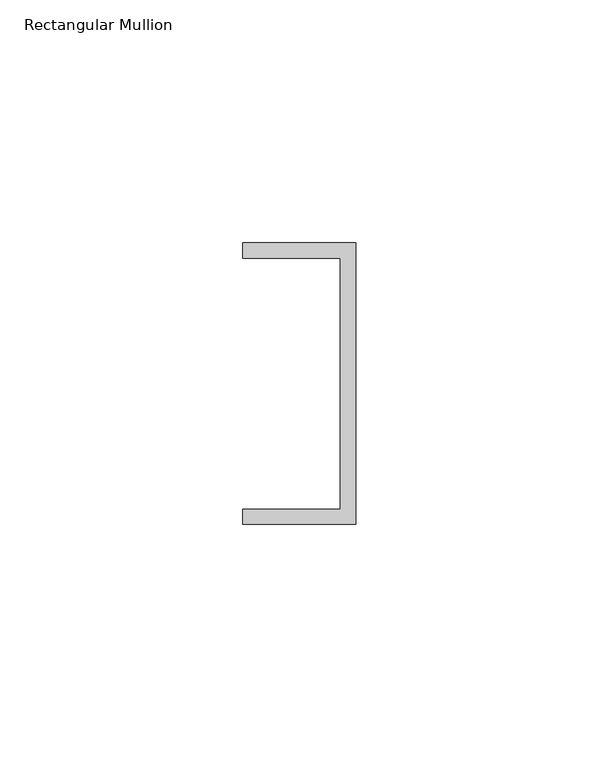
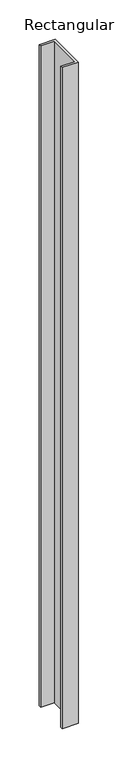
"""IFC4 building model written with IfcOpenShell, lengths in millimetres: member geometry, Rectangular Mullion."""

from ifc_helpers import new_model, si_unit, frame, origin, place, context, project, spatial, polyline, outline, extrude, source, transform, mapped, element, save


def rectangular_mullion_eacba65d(model_context):
    return source(origin(), model_context, "Body", "SweptSolid", [
        extrude(outline(polyline([(0.0, 29.0214844), (0.0, -29.0214844), (-23.3164063, -29.0214844), (-23.3164063, -25.8464844), (-3.175, -25.8464844), (-3.175, 25.8464844), (-23.3164063, 25.8464844), (-23.3164063, 29.0214844), (0.0, 29.0214844)])), frame((0.0, 0.0, -1024.8304687), z_axis=(0.0, 0.0, 1.0), x_axis=(1.0, 0.0, 0.0)), (0.0, 0.0, 1.0), 1024.8304688),
    ])


if __name__ == "__main__":
    model = new_model("IFC4")
    model_context = context("Model", 3, world=origin())
    ifc_project = project(units=[si_unit("LENGTHUNIT", "METRE", prefix="MILLI")], contexts=[model_context])
    site = spatial("IfcSite", under=ifc_project)
    building = spatial("IfcBuilding", under=site)
    placement = place(None, origin())
    rectangular_mullion_shape = rectangular_mullion_eacba65d(model_context)
    element("IfcMember", 1, ObjectType="Rectangular Mullion", at=placement, inside=building, context=model_context, shape_type="MappedRepresentation", body=[
        mapped(rectangular_mullion_shape, transform((0.0, 0.0, 0.0), x_axis=(1.0, 0.0, 0.0), y_axis=(0.0, 1.0, 0.0), z_axis=(0.0, 0.0, 1.0))),
    ])
    save(model, "model.ifc")
